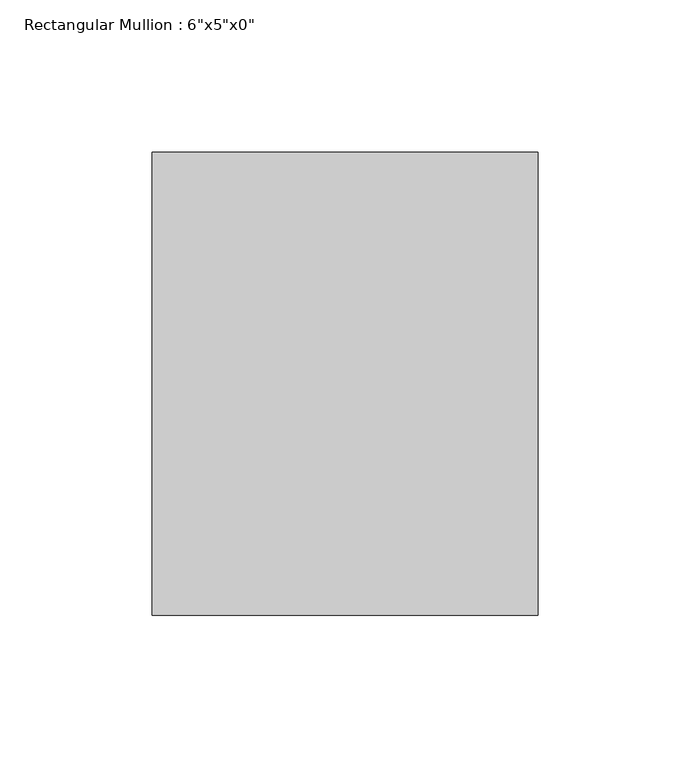
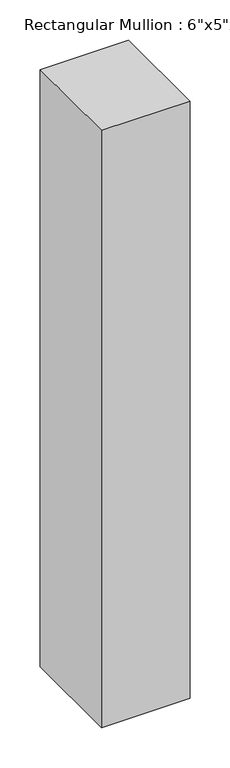
"""IFC4 building model written with IfcOpenShell, lengths in millimetres: member geometry."""

from ifc_helpers import new_model, si_unit, frame, origin, place, context, project, spatial, polyline, outline, extrude, source, transform, mapped, element, save


def member_6dd3c1e5(model_context):
    return source(origin(), model_context, "Body", "SweptSolid", [
        extrude(outline(polyline([(0.0, 76.2), (0.0, -76.2), (-127.0, -76.2), (-127.0, 76.2), (0.0, 76.2)])), frame((0.0, 0.0, -905.9333333), z_axis=(0.0, 0.0, 1.0), x_axis=(1.0, 0.0, 0.0)), (0.0, 0.0, 1.0), 905.9333333),
    ])


if __name__ == "__main__":
    model = new_model("IFC4")
    model_context = context("Model", 3, world=origin())
    ifc_project = project(units=[si_unit("LENGTHUNIT", "METRE", prefix="MILLI")], contexts=[model_context])
    site = spatial("IfcSite", under=ifc_project)
    building = spatial("IfcBuilding", under=site)
    placement = place(None, origin())
    member_shape = member_6dd3c1e5(model_context)
    element("IfcMember", 1, ObjectType="Rectangular Mullion : 6\"x5\"x0\"", at=placement, inside=building, context=model_context, shape_type="MappedRepresentation", body=[
        mapped(member_shape, transform((0.0, 0.0, 0.0), x_axis=(1.0, 0.0, 0.0), y_axis=(0.0, 1.0, 0.0), z_axis=(0.0, 0.0, 1.0))),
    ])
    save(model, "model.ifc")
